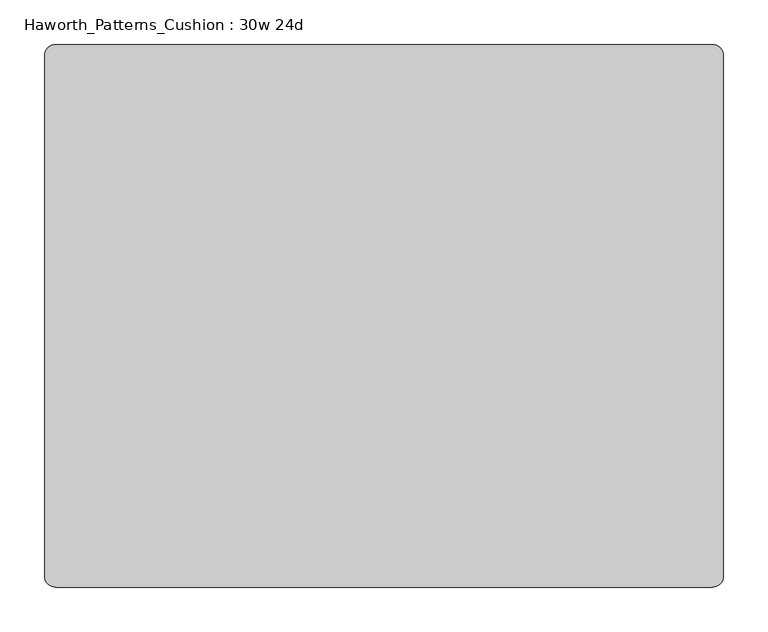
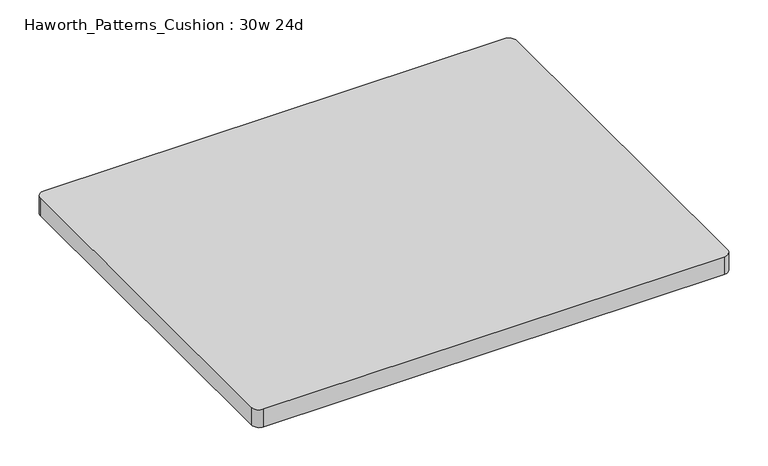
"""IFC4 building model written with IfcOpenShell, lengths in millimetres: furniture geometry, Haworth_Patterns_Cushion : 30w 24d."""

import ifcopenshell
import ifcopenshell.guid

model = None  # the IFC model being written
_history = None  # IfcOwnerHistory: only IFC2X3 demands one
_inside = {}  # id of a spatial element -> (the spatial element, [elements in it])
_under = {}  # id of a project, library or spatial element -> (it, [spatial elements below it])
_declared = {}  # id of a project -> (the project, [libraries it declares])
_typed = {}  # id of a type object -> (the type object, [elements of that type])
_made_of = {}  # id of a material, layer set ... -> (it, [elements and type objects made of it])


def new_model(schema):
    """Start an empty IFC model of exactly this schema.

    Asked for "IFC4X3", IfcOpenShell would pick the latest addendum, in which some entities
    have other attributes; the version numbers below select the first issue.
    IFC2X3 requires an IfcOwnerHistory on every rooted entity: one is made here for all.
    """
    global model, _history
    if schema == "IFC4X3":
        model = ifcopenshell.file(schema_version=(4, 3, 0, 0))
    else:
        model = ifcopenshell.file(schema=schema)
    _inside.clear()
    _under.clear()
    _declared.clear()
    _typed.clear()
    _made_of.clear()
    _history = None
    if model.schema == "IFC2X3":
        org = make("IfcOrganization", Name="unknown")
        user = make(
            "IfcPersonAndOrganization",
            ThePerson=make("IfcPerson", FamilyName="unknown"),
            TheOrganization=org,
        )
        app = make(
            "IfcApplication",
            ApplicationDeveloper=org,
            Version="unknown",
            ApplicationFullName="unknown",
            ApplicationIdentifier="unknown",
        )
        _history = make(
            "IfcOwnerHistory",
            OwningUser=user,
            OwningApplication=app,
            ChangeAction="ADDED",
            CreationDate=0,
        )
    return model


def make(cls, **values):
    """One entity of the class cls with the attributes given. An attribute that is None is left unset."""
    return model.create_entity(
        cls, **{name: value for name, value in values.items() if value is not None}
    )


def rooted(cls, **values):
    """An entity with a GlobalId (a new one), such as an element, a storey or a relation."""
    return make(cls, GlobalId=ifcopenshell.guid.new(), OwnerHistory=_history, **values)


def si_unit(unit_type, name, prefix=None):
    """IfcSIUnit, for example si_unit("LENGTHUNIT", "METRE", prefix="MILLI")."""
    return make("IfcSIUnit", UnitType=unit_type, Prefix=prefix, Name=name)


def assignment(units):
    """IfcUnitAssignment: the units of a project."""
    return None if units is None else make("IfcUnitAssignment", Units=units)


def point(xyz):
    """IfcCartesianPoint."""
    return None if xyz is None else make("IfcCartesianPoint", Coordinates=xyz)


def direction(xyz):
    """IfcDirection."""
    return None if xyz is None else make("IfcDirection", DirectionRatios=xyz)


def frame(location, z_axis=None, x_axis=None):
    """IfcAxis2Placement3D, a coordinate frame: its origin and axes. An axis left out is left unset."""
    return make(
        "IfcAxis2Placement3D",
        Location=point(location),
        Axis=direction(z_axis),
        RefDirection=direction(x_axis),
    )


def frame_2d(location, x_axis=None):
    """IfcAxis2Placement2D, a coordinate frame in the plane: its origin and x axis."""
    return make(
        "IfcAxis2Placement2D", Location=point(location), RefDirection=direction(x_axis)
    )


def origin():
    """The frame at (0, 0, 0) with its axes left unset."""
    return frame((0.0, 0.0, 0.0))


def place(relative_to, where):
    """IfcLocalPlacement: puts the frame where relative to a parent placement (None: the world)."""
    return make(
        "IfcLocalPlacement", PlacementRelTo=relative_to, RelativePlacement=where
    )


def context(
    kind, dimensions, precision=None, world=None, true_north=None, identifier=None
):
    """IfcGeometricRepresentationContext, for example the 3D "Model" context."""
    return make(
        "IfcGeometricRepresentationContext",
        ContextIdentifier=identifier,
        ContextType=kind,
        CoordinateSpaceDimension=dimensions,
        Precision=precision,
        WorldCoordinateSystem=world,
        TrueNorth=true_north,
    )


def project(units=None, contexts=None):
    """IfcProject with its units and contexts."""
    return rooted(
        "IfcProject",
        Name="project",
        RepresentationContexts=contexts,
        UnitsInContext=assignment(units),
    )


def spatial(cls, under=None, at=None, **own):
    """A site, building, storey or space (cls), placed at a placement, below another one or the project."""
    s = rooted(cls, ObjectPlacement=at, **own)
    if under is not None:
        _under.setdefault(under.id(), (under, []))[1].append(s)
    return s


def polyline(points):
    """IfcPolyline through the points."""
    return make("IfcPolyline", Points=[point(p) for p in points])


def circle_curve(where, radius):
    """IfcCircle in the frame where."""
    return make("IfcCircle", Position=where, Radius=radius)


def trimmed(basis, trim1, trim2, sense, master):
    """IfcTrimmedCurve: the piece of a basis curve between two trims."""
    return make(
        "IfcTrimmedCurve",
        BasisCurve=basis,
        Trim1=trim1,
        Trim2=trim2,
        SenseAgreement=sense,
        MasterRepresentation=master,
    )


def segment(curve, same_sense, transition):
    """IfcCompositeCurveSegment."""
    return make(
        "IfcCompositeCurveSegment",
        Transition=transition,
        SameSense=same_sense,
        ParentCurve=curve,
    )


def composite_curve(segments, self_intersect=None):
    """IfcCompositeCurve: segments joined end to end."""
    return make("IfcCompositeCurve", Segments=segments, SelfIntersect=self_intersect)


def outline(outer, holes=None, kind="AREA"):
    """IfcArbitraryClosedProfileDef: a profile drawn as a closed curve; with holes, ...WithVoids."""
    if holes is None:
        return make("IfcArbitraryClosedProfileDef", ProfileType=kind, OuterCurve=outer)
    return make(
        "IfcArbitraryProfileDefWithVoids",
        ProfileType=kind,
        OuterCurve=outer,
        InnerCurves=holes,
    )


def extrude(swept, where, along, depth):
    """IfcExtrudedAreaSolid: the profile swept, set in the frame where, extruded along a direction by depth."""
    return make(
        "IfcExtrudedAreaSolid",
        SweptArea=swept,
        Position=where,
        ExtrudedDirection=direction(along),
        Depth=depth,
    )


def shape(context_of_items, identifier, shape_type, items):
    """IfcShapeRepresentation: the items that make up one representation, for example the "Body"."""
    return make(
        "IfcShapeRepresentation",
        ContextOfItems=context_of_items,
        RepresentationIdentifier=identifier,
        RepresentationType=shape_type,
        Items=items,
    )


def source(mapping_origin, context_of_items, identifier, shape_type, items):
    """IfcRepresentationMap: a shape defined once, which mapped items show again and again."""
    return make(
        "IfcRepresentationMap",
        MappingOrigin=mapping_origin,
        MappedRepresentation=shape(context_of_items, identifier, shape_type, items),
    )


def transform(
    local_origin,
    x_axis=None,
    y_axis=None,
    z_axis=None,
    scale=None,
    scale2=None,
    scale3=None,
    uniform=True,
):
    """IfcCartesianTransformationOperator3D, or its non-uniform kind. x_axis, y_axis, z_axis: its Axis1, 2, 3."""
    if uniform:
        return make(
            "IfcCartesianTransformationOperator3D",
            Axis1=direction(x_axis),
            Axis2=direction(y_axis),
            LocalOrigin=point(local_origin),
            Scale=scale,
            Axis3=direction(z_axis),
        )
    return make(
        "IfcCartesianTransformationOperator3DnonUniform",
        Axis1=direction(x_axis),
        Axis2=direction(y_axis),
        LocalOrigin=point(local_origin),
        Scale=scale,
        Axis3=direction(z_axis),
        Scale2=scale2,
        Scale3=scale3,
    )


def mapped(mapping_source, mapping_target):
    """IfcMappedItem: shows the shape of a source again, moved by a transform."""
    return make(
        "IfcMappedItem", MappingSource=mapping_source, MappingTarget=mapping_target
    )


def made_of(thing, what):
    """Note that an element or type object is made of a material, layer set ...; save() writes the relation."""
    if what is not None:
        _made_of.setdefault(what.id(), (what, []))[1].append(thing)
    return thing


def element(
    cls,
    number,
    at=None,
    inside=None,
    cuts=None,
    type_object=None,
    material=None,
    context=None,
    identifier="Body",
    shape_type=None,
    held_by="IfcProductDefinitionShape",
    body=None,
    shapes=None,
    **own,
):
    """One element of the class cls, such as IfcWall. Its Tag is "e" and its number.

    at: its placement. inside: the storey or other place that contains it. cuts: it is an
    opening in that element (IfcRelVoidsElement). A single representation is given by context,
    identifier, shape_type and body (its items); several are given by shapes. held_by: the class
    of the entity that holds the representations. save() writes the other relations.
    """
    e = rooted(cls, Tag="e%d" % number, ObjectPlacement=at, **own)
    if body is not None:
        shapes = [shape(context, identifier, shape_type, body)]
    if shapes is not None:
        e.Representation = make(held_by, Representations=shapes)
    if inside is not None:
        _inside.setdefault(inside.id(), (inside, []))[1].append(e)
    if cuts is not None:
        rooted(
            "IfcRelVoidsElement", RelatingBuildingElement=cuts, RelatedOpeningElement=e
        )
    if type_object is not None:
        _typed.setdefault(type_object.id(), (type_object, []))[1].append(e)
    return made_of(e, material)


def aggregate(whole, parts):
    """IfcRelAggregates: a whole, such as a stair, and the parts it consists of."""
    return rooted("IfcRelAggregates", RelatingObject=whole, RelatedObjects=parts)


def save(model, path):
    """Write the relations noted so far, then the file.

    IfcRelAggregates (storeys below a building ...), IfcRelContainedInSpatialStructure (elements
    in a storey), IfcRelDefinesByType, IfcRelAssociatesMaterial and IfcRelDeclares: one each for
    every whole, place, type object, material and project.
    """
    for whole, parts in _under.values():
        aggregate(whole, parts)
    for where, things in _inside.values():
        rooted(
            "IfcRelContainedInSpatialStructure",
            RelatedElements=things,
            RelatingStructure=where,
        )
    for kind, things in _typed.values():
        rooted("IfcRelDefinesByType", RelatedObjects=things, RelatingType=kind)
    for what, things in _made_of.values():
        rooted("IfcRelAssociatesMaterial", RelatedObjects=things, RelatingMaterial=what)
    for by, libraries in _declared.values():
        rooted("IfcRelDeclares", RelatingContext=by, RelatedDefinitions=libraries)
    model.write(path)


def haworth_patterns_cushion_30w_24d_e2ae7ed3(model_context):
    return source(origin(), model_context, "Body", "SweptSolid", [
        extrude(outline(composite_curve([segment(trimmed(circle_curve(frame_2d((368.3, 292.1)), 12.7), [point((368.3, 304.8))], [point((381.0, 292.1))], False, "CARTESIAN"), True, "CONTINUOUS"), segment(polyline([(381.0, 292.1), (381.0, -292.1)]), True, "CONTINUOUS"), segment(trimmed(circle_curve(frame_2d((368.3, -292.1)), 12.7), [point((381.0, -292.1))], [point((368.3, -304.8))], False, "CARTESIAN"), True, "CONTINUOUS"), segment(polyline([(368.3, -304.8), (-368.3, -304.8)]), True, "CONTINUOUS"), segment(trimmed(circle_curve(frame_2d((-368.3, -292.1)), 12.7), [point((-368.3, -304.8))], [point((-381.0, -292.1))], False, "CARTESIAN"), True, "CONTINUOUS"), segment(polyline([(-381.0, -292.1), (-381.0, 292.1)]), True, "CONTINUOUS"), segment(trimmed(circle_curve(frame_2d((-368.3, 292.1)), 12.7), [point((-381.0, 292.1))], [point((-368.3, 304.8))], False, "CARTESIAN"), True, "CONTINUOUS"), segment(polyline([(-368.3, 304.8), (368.3, 304.8)]), True, "CONTINUOUS")], self_intersect=False)), frame((0.0, 0.0, 609.6), z_axis=(0.0, 0.0, 1.0), x_axis=(1.0, 0.0, 0.0)), (0.0, 0.0, 1.0), 30.1625),
    ])


if __name__ == "__main__":
    model = new_model("IFC4")
    model_context = context("Model", 3, world=origin())
    ifc_project = project(units=[si_unit("LENGTHUNIT", "METRE", prefix="MILLI")], contexts=[model_context])
    site = spatial("IfcSite", under=ifc_project)
    building = spatial("IfcBuilding", under=site)
    placement = place(None, origin())
    haworth_patterns_cushion_30w_24d_shape = haworth_patterns_cushion_30w_24d_e2ae7ed3(model_context)
    element("IfcFurniture", 1, ObjectType="Haworth_Patterns_Cushion : 30w 24d", at=placement, inside=building, context=model_context, shape_type="MappedRepresentation", body=[
        mapped(haworth_patterns_cushion_30w_24d_shape, transform((0.0, 0.0, 0.0), x_axis=(1.0, 0.0, 0.0), y_axis=(0.0, 1.0, 0.0), z_axis=(0.0, 0.0, 1.0))),
    ])
    save(model, "model.ifc")
